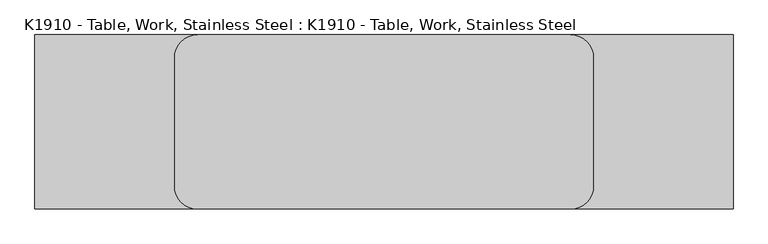
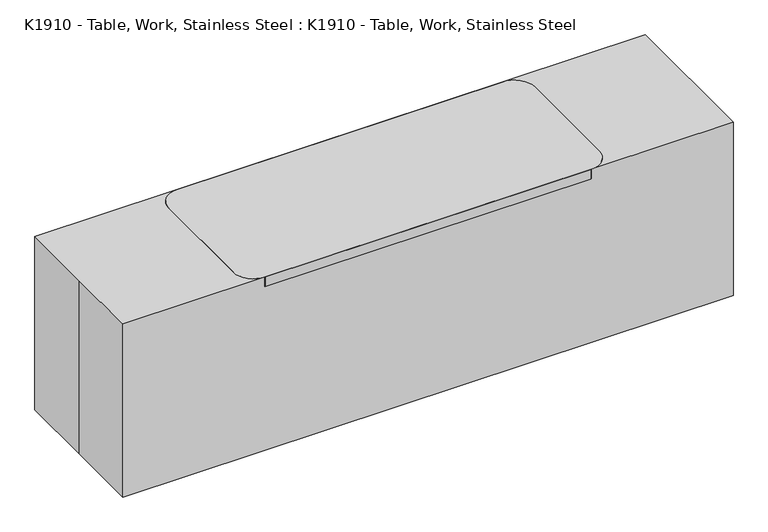
"""IFC4 building model written with IfcOpenShell, lengths in millimetres: proxy geometry, K1910 - Table, Work, Stainless Steel : K1910 - Table, Work, Stainless Steel."""

from ifc_helpers import new_model, si_unit, point, frame, frame_2d, origin, origin_with_axes, place, context, project, spatial, polyline, circle_curve, trimmed, segment, composite_curve, outline, extrude, source, transform, mapped, element, save


def k1910_table_work_stainless_steel_k1910_table_work_stainless_63ada2a8(model_context):
    return source(origin(), model_context, "Body", "SweptSolid", [
        extrude(outline(composite_curve([segment(trimmed(circle_curve(frame_2d((-812.8, -279.4)), 38.1), [point((-774.7, -279.4))], [point((-850.9, -279.4))], False, "CARTESIAN"), True, "CONTINUOUS"), segment(trimmed(circle_curve(frame_2d((-812.8, -279.4)), 38.1), [point((-850.9, -279.4))], [point((-774.7, -279.4))], False, "CARTESIAN"), True, "CONTINUOUS")], self_intersect=False)), origin_with_axes(), (0.0, 0.0, 1.0), 863.6),
        extrude(outline(composite_curve([segment(trimmed(circle_curve(frame_2d((-812.8, 279.4)), 38.1), [point((-774.7, 279.4))], [point((-850.9, 279.4))], False, "CARTESIAN"), True, "CONTINUOUS"), segment(trimmed(circle_curve(frame_2d((-812.8, 279.4)), 38.1), [point((-850.9, 279.4))], [point((-774.7, 279.4))], False, "CARTESIAN"), True, "CONTINUOUS")], self_intersect=False)), origin_with_axes(), (0.0, 0.0, 1.0), 863.6),
        extrude(outline(composite_curve([segment(trimmed(circle_curve(frame_2d((812.8, 279.4)), 38.1), [point((774.7, 279.4))], [point((812.8, 241.3))], True, "CARTESIAN"), True, "CONTINUOUS"), segment(polyline([(812.8, 241.3), (812.8, -241.3)]), True, "CONTINUOUS"), segment(trimmed(circle_curve(frame_2d((812.8, -279.4)), 38.1), [point((812.8, -241.3))], [point((774.7, -279.4))], True, "CARTESIAN"), True, "CONTINUOUS"), segment(polyline([(774.7, -279.4), (-774.7, -279.4)]), True, "CONTINUOUS"), segment(trimmed(circle_curve(frame_2d((-812.8, -279.4)), 38.1), [point((-774.7, -279.4))], [point((-812.8, -241.3))], True, "CARTESIAN"), True, "CONTINUOUS"), segment(polyline([(-812.8, -241.3), (-812.8, 241.3)]), True, "CONTINUOUS"), segment(trimmed(circle_curve(frame_2d((-812.8, 279.4)), 38.1), [point((-812.8, 241.3))], [point((-774.7, 279.4))], True, "CARTESIAN"), True, "CONTINUOUS"), segment(polyline([(-774.7, 279.4), (774.7, 279.4)]), True, "CONTINUOUS")], self_intersect=False)), frame((0.0, 0.0, 304.8), z_axis=(0.0, 0.0, 1.0), x_axis=(1.0, 0.0, 0.0)), (0.0, 0.0, 1.0), 25.4),
        extrude(outline(composite_curve([segment(trimmed(circle_curve(frame_2d((812.8, -279.4)), 38.1), [point((774.7, -279.4))], [point((850.9, -279.4))], False, "CARTESIAN"), True, "CONTINUOUS"), segment(trimmed(circle_curve(frame_2d((812.8, -279.4)), 38.1), [point((850.9, -279.4))], [point((774.7, -279.4))], False, "CARTESIAN"), True, "CONTINUOUS")], self_intersect=False)), origin_with_axes(), (0.0, 0.0, 1.0), 863.6),
        extrude(outline(composite_curve([segment(trimmed(circle_curve(frame_2d((812.8, 279.4)), 38.1), [point((774.7, 279.4))], [point((850.9, 279.4))], False, "CARTESIAN"), True, "CONTINUOUS"), segment(trimmed(circle_curve(frame_2d((812.8, 279.4)), 38.1), [point((850.9, 279.4))], [point((774.7, 279.4))], False, "CARTESIAN"), True, "CONTINUOUS")], self_intersect=False)), origin_with_axes(), (0.0, 0.0, 1.0), 863.6),
        extrude(outline(composite_curve([segment(trimmed(circle_curve(frame_2d((-812.8, 279.4)), 101.6), [point((-914.4, 279.4))], [point((-812.8, 381.0))], False, "CARTESIAN"), True, "CONTINUOUS"), segment(polyline([(-812.8, 381.0), (812.8, 381.0)]), True, "CONTINUOUS"), segment(trimmed(circle_curve(frame_2d((812.8, 279.4)), 101.6), [point((812.8, 381.0))], [point((914.4, 279.4))], False, "CARTESIAN"), True, "CONTINUOUS"), segment(polyline([(914.4, 279.4), (914.4, -279.4)]), True, "CONTINUOUS"), segment(trimmed(circle_curve(frame_2d((812.8, -279.4)), 101.6), [point((914.4, -279.4))], [point((812.8, -381.0))], False, "CARTESIAN"), True, "CONTINUOUS"), segment(polyline([(812.8, -381.0), (-812.8, -381.0)]), True, "CONTINUOUS"), segment(trimmed(circle_curve(frame_2d((-812.8, -279.4)), 101.6), [point((-812.8, -381.0))], [point((-914.4, -279.4))], False, "CARTESIAN"), True, "CONTINUOUS"), segment(polyline([(-914.4, -279.4), (-914.4, 279.4)]), True, "CONTINUOUS")], self_intersect=False)), frame((0.0, 0.0, 863.6), z_axis=(0.0, 0.0, 1.0), x_axis=(1.0, 0.0, 0.0)), (0.0, 0.0, 1.0), 50.8),
        extrude(outline(polyline([(-1524.0, 381.0), (1524.0, 381.0), (1524.0, -381.0), (-1524.0, -381.0), (-1524.0, 0.0), (-1524.0, 381.0)])), origin_with_axes(), (0.0, 0.0, 1.0), 914.4),
    ])


if __name__ == "__main__":
    model = new_model("IFC4")
    model_context = context("Model", 3, world=origin())
    ifc_project = project(units=[si_unit("LENGTHUNIT", "METRE", prefix="MILLI")], contexts=[model_context])
    site = spatial("IfcSite", under=ifc_project)
    building = spatial("IfcBuilding", under=site)
    placement = place(None, origin())
    k1910_table_work_stainless_steel_k1910_table_work_stainless_shape = k1910_table_work_stainless_steel_k1910_table_work_stainless_63ada2a8(model_context)
    element("IfcBuildingElementProxy", 1, Name="K1910 - Table, Work, Stainless Steel : K1910 - Table, Work, Stainless Steel", ObjectType="K1910 - Table, Work, Stainless Steel : K1910 - Table, Work, Stainless Steel", at=placement, inside=building, context=model_context, shape_type="MappedRepresentation", body=[
        mapped(k1910_table_work_stainless_steel_k1910_table_work_stainless_shape, transform((0.0, 0.0, 0.0), x_axis=(1.0, 0.0, 0.0), y_axis=(0.0, 1.0, 0.0), z_axis=(0.0, 0.0, 1.0))),
    ])
    save(model, "model.ifc")
